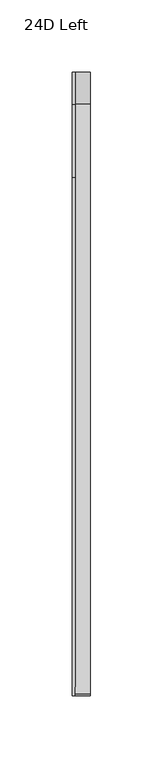
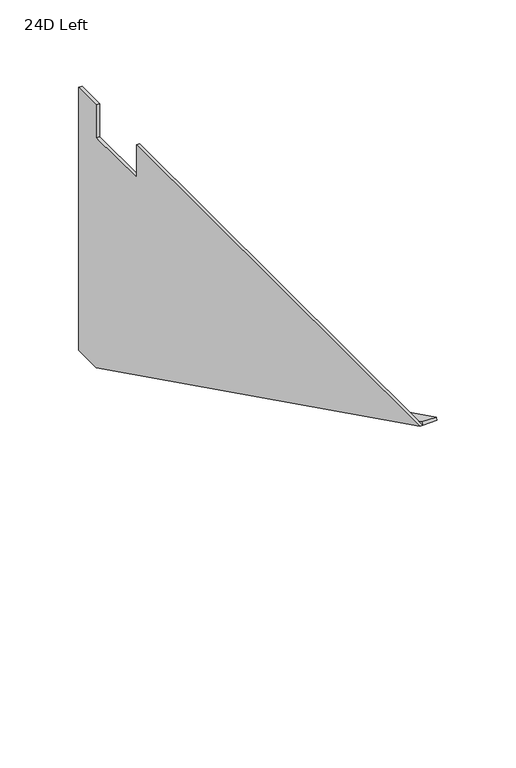
"""IFC4 building model written with IfcOpenShell, lengths in millimetres: furniture geometry, 24D Left."""

from ifc_helpers import new_model, si_unit, frame, origin, place, context, project, spatial, polyline, outline, extrude, source, transform, mapped, element, save


def furniture_24d_left_28567a62(model_context):
    return source(origin(), model_context, "Body", "SweptSolid", [
        extrude(outline(polyline([(254.0, 835.7235), (254.0, 833.4375), (231.775, 833.4375), (-178.0807823, 1036.6375), (-177.0653655, 1038.6856027), (232.3105764, 835.7235), (254.0, 835.7235)])), frame((2.286, 0.0, 0.0), z_axis=(1.0, 0.0, 0.0), x_axis=(0.0, 1.0, 0.0)), (0.0, 0.0, 1.0), 10.414),
        extrude(outline(polyline([(254.0, 1036.6375), (254.0, 833.4375), (231.775, 833.4375), (-178.0807823, 1036.6375), (180.975, 1036.6375), (180.975, 1011.2375), (231.775, 1011.2375), (231.775, 1036.6375), (254.0, 1036.6375)])), frame((0.0, 0.0, 0.0), z_axis=(1.0, 0.0, 0.0), x_axis=(0.0, 1.0, 0.0)), (0.0, 0.0, 1.0), 2.286),
    ])


if __name__ == "__main__":
    model = new_model("IFC4")
    model_context = context("Model", 3, world=origin())
    ifc_project = project(units=[si_unit("LENGTHUNIT", "METRE", prefix="MILLI")], contexts=[model_context])
    site = spatial("IfcSite", under=ifc_project)
    building = spatial("IfcBuilding", under=site)
    placement = place(None, origin())
    furniture_24d_left_shape = furniture_24d_left_28567a62(model_context)
    element("IfcFurniture", 1, ObjectType="24D Left", at=placement, inside=building, context=model_context, shape_type="MappedRepresentation", body=[
        mapped(furniture_24d_left_shape, transform((0.0, 0.0, 0.0), x_axis=(1.0, 0.0, 0.0), y_axis=(0.0, 1.0, 0.0), z_axis=(0.0, 0.0, 1.0))),
    ])
    save(model, "model.ifc")
